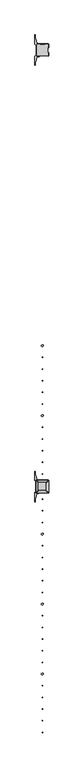
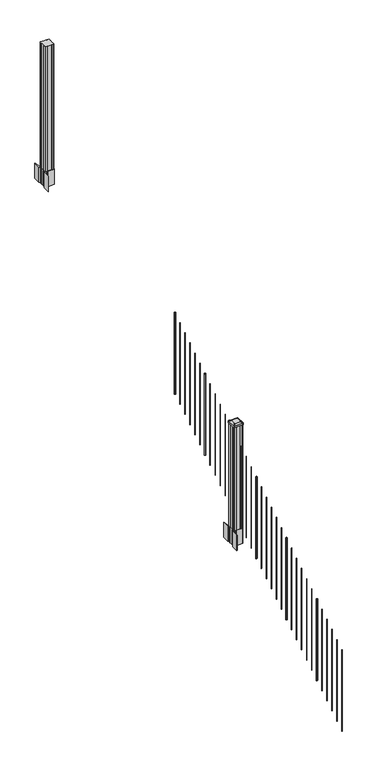
"""IFC4 building model written with IfcOpenShell, lengths in millimetres: railing geometry."""

from ifc_helpers import new_model, si_unit, point, frame, frame_2d, origin, place, context, project, spatial, polyline, circle_curve, trimmed, segment, composite_curve, outline, extrude, source, transform, mapped, element, save
from ifc_brep_helpers import plane_surface, extruded_surface, advanced_brep


def railing_44e528f0(model_context):
    return source(origin(), model_context, "Body", "SolidModel", [
        extrude(outline(composite_curve([segment(trimmed(circle_curve(frame_2d((6960.0376478, -84632.7128453)), 6.35), [point((6966.3876478, -84632.7128453))], [point((6960.0376478, -84639.0628453))], False, "CARTESIAN"), True, "CONTINUOUS"), segment(trimmed(circle_curve(frame_2d((6960.0376478, -84632.7128453)), 6.35), [point((6960.0376478, -84639.0628453))], [point((6953.6876478, -84632.7128453))], False, "CARTESIAN"), True, "CONTINUOUS"), segment(trimmed(circle_curve(frame_2d((6960.0376478, -84632.7128453)), 6.35), [point((6953.6876478, -84632.7128453))], [point((6960.0376478, -84626.3628453))], False, "CARTESIAN"), True, "CONTINUOUS"), segment(trimmed(circle_curve(frame_2d((6960.0376478, -84632.7128453)), 6.35), [point((6960.0376478, -84626.3628453))], [point((6966.3876478, -84632.7128453))], False, "CARTESIAN"), True, "CONTINUOUS")], self_intersect=False)), frame((0.0, 0.0, 2058.1896281), z_axis=(0.0, 0.0, 1.0), x_axis=(1.0, 0.0, 0.0)), (0.0, 0.0, 1.0), 812.8041219),
        extrude(outline(composite_curve([segment(trimmed(circle_curve(frame_2d((6960.0376478, -84715.2628453)), 1.5875), [point((6961.6251478, -84715.2628453))], [point((6960.0376478, -84716.8503453))], False, "CARTESIAN"), True, "CONTINUOUS"), segment(trimmed(circle_curve(frame_2d((6960.0376478, -84715.2628453)), 1.5875), [point((6960.0376478, -84716.8503453))], [point((6958.4501478, -84715.2628453))], False, "CARTESIAN"), True, "CONTINUOUS"), segment(trimmed(circle_curve(frame_2d((6960.0376478, -84715.2628453)), 1.5875), [point((6958.4501478, -84715.2628453))], [point((6960.0376478, -84713.6753453))], False, "CARTESIAN"), True, "CONTINUOUS"), segment(trimmed(circle_curve(frame_2d((6960.0376478, -84715.2628453)), 1.5875), [point((6960.0376478, -84713.6753453))], [point((6961.6251478, -84715.2628453))], False, "CARTESIAN"), True, "CONTINUOUS")], self_intersect=False)), frame((0.0, 0.0, 2006.5958781), z_axis=(0.0, 0.0, 1.0), x_axis=(1.0, 0.0, 0.0)), (0.0, 0.0, 1.0), 812.8041219),
        extrude(outline(composite_curve([segment(trimmed(circle_curve(frame_2d((6960.0376478, -84797.8128453)), 1.5875), [point((6961.6251478, -84797.8128453))], [point((6960.0376478, -84799.4003453))], False, "CARTESIAN"), True, "CONTINUOUS"), segment(trimmed(circle_curve(frame_2d((6960.0376478, -84797.8128453)), 1.5875), [point((6960.0376478, -84799.4003453))], [point((6958.4501478, -84797.8128453))], False, "CARTESIAN"), True, "CONTINUOUS"), segment(trimmed(circle_curve(frame_2d((6960.0376478, -84797.8128453)), 1.5875), [point((6958.4501478, -84797.8128453))], [point((6960.0376478, -84796.2253453))], False, "CARTESIAN"), True, "CONTINUOUS"), segment(trimmed(circle_curve(frame_2d((6960.0376478, -84797.8128453)), 1.5875), [point((6960.0376478, -84796.2253453))], [point((6961.6251478, -84797.8128453))], False, "CARTESIAN"), True, "CONTINUOUS")], self_intersect=False)), frame((0.0, 0.0, 1955.0021281), z_axis=(0.0, 0.0, 1.0), x_axis=(1.0, 0.0, 0.0)), (0.0, 0.0, 1.0), 812.8041219),
        extrude(outline(composite_curve([segment(trimmed(circle_curve(frame_2d((6960.0376478, -84880.3628453)), 1.5875), [point((6961.6251478, -84880.3628453))], [point((6960.0376478, -84881.9503453))], False, "CARTESIAN"), True, "CONTINUOUS"), segment(trimmed(circle_curve(frame_2d((6960.0376478, -84880.3628453)), 1.5875), [point((6960.0376478, -84881.9503453))], [point((6958.4501478, -84880.3628453))], False, "CARTESIAN"), True, "CONTINUOUS"), segment(trimmed(circle_curve(frame_2d((6960.0376478, -84880.3628453)), 1.5875), [point((6958.4501478, -84880.3628453))], [point((6960.0376478, -84878.7753453))], False, "CARTESIAN"), True, "CONTINUOUS"), segment(trimmed(circle_curve(frame_2d((6960.0376478, -84880.3628453)), 1.5875), [point((6960.0376478, -84878.7753453))], [point((6961.6251478, -84880.3628453))], False, "CARTESIAN"), True, "CONTINUOUS")], self_intersect=False)), frame((0.0, 0.0, 1903.4083781), z_axis=(0.0, 0.0, 1.0), x_axis=(1.0, 0.0, 0.0)), (0.0, 0.0, 1.0), 812.8041219),
        extrude(outline(composite_curve([segment(trimmed(circle_curve(frame_2d((6960.0376478, -84962.9128453)), 1.5875), [point((6961.6251478, -84962.9128453))], [point((6960.0376478, -84964.5003453))], False, "CARTESIAN"), True, "CONTINUOUS"), segment(trimmed(circle_curve(frame_2d((6960.0376478, -84962.9128453)), 1.5875), [point((6960.0376478, -84964.5003453))], [point((6958.4501478, -84962.9128453))], False, "CARTESIAN"), True, "CONTINUOUS"), segment(trimmed(circle_curve(frame_2d((6960.0376478, -84962.9128453)), 1.5875), [point((6958.4501478, -84962.9128453))], [point((6960.0376478, -84961.3253453))], False, "CARTESIAN"), True, "CONTINUOUS"), segment(trimmed(circle_curve(frame_2d((6960.0376478, -84962.9128453)), 1.5875), [point((6960.0376478, -84961.3253453))], [point((6961.6251478, -84962.9128453))], False, "CARTESIAN"), True, "CONTINUOUS")], self_intersect=False)), frame((0.0, 0.0, 1851.8146281), z_axis=(0.0, 0.0, 1.0), x_axis=(1.0, 0.0, 0.0)), (0.0, 0.0, 1.0), 812.8041219),
        extrude(outline(composite_curve([segment(trimmed(circle_curve(frame_2d((6960.0376478, -85045.4628453)), 1.5875), [point((6961.6251478, -85045.4628453))], [point((6960.0376478, -85047.0503453))], False, "CARTESIAN"), True, "CONTINUOUS"), segment(trimmed(circle_curve(frame_2d((6960.0376478, -85045.4628453)), 1.5875), [point((6960.0376478, -85047.0503453))], [point((6958.4501478, -85045.4628453))], False, "CARTESIAN"), True, "CONTINUOUS"), segment(trimmed(circle_curve(frame_2d((6960.0376478, -85045.4628453)), 1.5875), [point((6958.4501478, -85045.4628453))], [point((6960.0376478, -85043.8753453))], False, "CARTESIAN"), True, "CONTINUOUS"), segment(trimmed(circle_curve(frame_2d((6960.0376478, -85045.4628453)), 1.5875), [point((6960.0376478, -85043.8753453))], [point((6961.6251478, -85045.4628453))], False, "CARTESIAN"), True, "CONTINUOUS")], self_intersect=False)), frame((0.0, 0.0, 1800.2208781), z_axis=(0.0, 0.0, 1.0), x_axis=(1.0, 0.0, 0.0)), (0.0, 0.0, 1.0), 812.8041219),
        extrude(outline(composite_curve([segment(trimmed(circle_curve(frame_2d((6960.0376478, -85128.0128453)), 6.35), [point((6966.3876478, -85128.0128453))], [point((6960.0376478, -85134.3628453))], False, "CARTESIAN"), True, "CONTINUOUS"), segment(trimmed(circle_curve(frame_2d((6960.0376478, -85128.0128453)), 6.35), [point((6960.0376478, -85134.3628453))], [point((6953.6876478, -85128.0128453))], False, "CARTESIAN"), True, "CONTINUOUS"), segment(trimmed(circle_curve(frame_2d((6960.0376478, -85128.0128453)), 6.35), [point((6953.6876478, -85128.0128453))], [point((6960.0376478, -85121.6628453))], False, "CARTESIAN"), True, "CONTINUOUS"), segment(trimmed(circle_curve(frame_2d((6960.0376478, -85128.0128453)), 6.35), [point((6960.0376478, -85121.6628453))], [point((6966.3876478, -85128.0128453))], False, "CARTESIAN"), True, "CONTINUOUS")], self_intersect=False)), frame((0.0, 0.0, 1748.6271281), z_axis=(0.0, 0.0, 1.0), x_axis=(1.0, 0.0, 0.0)), (0.0, 0.0, 1.0), 812.8041219),
        extrude(outline(composite_curve([segment(trimmed(circle_curve(frame_2d((6960.0376478, -85210.5628453)), 1.5875), [point((6961.6251478, -85210.5628453))], [point((6960.0376478, -85212.1503453))], False, "CARTESIAN"), True, "CONTINUOUS"), segment(trimmed(circle_curve(frame_2d((6960.0376478, -85210.5628453)), 1.5875), [point((6960.0376478, -85212.1503453))], [point((6958.4501478, -85210.5628453))], False, "CARTESIAN"), True, "CONTINUOUS"), segment(trimmed(circle_curve(frame_2d((6960.0376478, -85210.5628453)), 1.5875), [point((6958.4501478, -85210.5628453))], [point((6960.0376478, -85208.9753453))], False, "CARTESIAN"), True, "CONTINUOUS"), segment(trimmed(circle_curve(frame_2d((6960.0376478, -85210.5628453)), 1.5875), [point((6960.0376478, -85208.9753453))], [point((6961.6251478, -85210.5628453))], False, "CARTESIAN"), True, "CONTINUOUS")], self_intersect=False)), frame((0.0, 0.0, 1697.0333781), z_axis=(0.0, 0.0, 1.0), x_axis=(1.0, 0.0, 0.0)), (0.0, 0.0, 1.0), 812.8041219),
        extrude(outline(composite_curve([segment(trimmed(circle_curve(frame_2d((6960.0376478, -85293.1128453)), 1.5875), [point((6961.6251478, -85293.1128453))], [point((6960.0376478, -85294.7003453))], False, "CARTESIAN"), True, "CONTINUOUS"), segment(trimmed(circle_curve(frame_2d((6960.0376478, -85293.1128453)), 1.5875), [point((6960.0376478, -85294.7003453))], [point((6958.4501478, -85293.1128453))], False, "CARTESIAN"), True, "CONTINUOUS"), segment(trimmed(circle_curve(frame_2d((6960.0376478, -85293.1128453)), 1.5875), [point((6958.4501478, -85293.1128453))], [point((6960.0376478, -85291.5253453))], False, "CARTESIAN"), True, "CONTINUOUS"), segment(trimmed(circle_curve(frame_2d((6960.0376478, -85293.1128453)), 1.5875), [point((6960.0376478, -85291.5253453))], [point((6961.6251478, -85293.1128453))], False, "CARTESIAN"), True, "CONTINUOUS")], self_intersect=False)), frame((0.0, 0.0, 1645.4396281), z_axis=(0.0, 0.0, 1.0), x_axis=(1.0, 0.0, 0.0)), (0.0, 0.0, 1.0), 812.8041219),
        extrude(outline(composite_curve([segment(trimmed(circle_curve(frame_2d((6960.0376478, -85375.6628453)), 1.5875), [point((6961.6251478, -85375.6628453))], [point((6960.0376478, -85377.2503453))], False, "CARTESIAN"), True, "CONTINUOUS"), segment(trimmed(circle_curve(frame_2d((6960.0376478, -85375.6628453)), 1.5875), [point((6960.0376478, -85377.2503453))], [point((6958.4501478, -85375.6628453))], False, "CARTESIAN"), True, "CONTINUOUS"), segment(trimmed(circle_curve(frame_2d((6960.0376478, -85375.6628453)), 1.5875), [point((6958.4501478, -85375.6628453))], [point((6960.0376478, -85374.0753453))], False, "CARTESIAN"), True, "CONTINUOUS"), segment(trimmed(circle_curve(frame_2d((6960.0376478, -85375.6628453)), 1.5875), [point((6960.0376478, -85374.0753453))], [point((6961.6251478, -85375.6628453))], False, "CARTESIAN"), True, "CONTINUOUS")], self_intersect=False)), frame((0.0, 0.0, 1593.8458781), z_axis=(0.0, 0.0, 1.0), x_axis=(1.0, 0.0, 0.0)), (0.0, 0.0, 1.0), 812.8041219),
        extrude(outline(composite_curve([segment(trimmed(circle_curve(frame_2d((6960.0376478, -85458.2128453)), 1.5875), [point((6961.6251478, -85458.2128453))], [point((6960.0376478, -85459.8003453))], False, "CARTESIAN"), True, "CONTINUOUS"), segment(trimmed(circle_curve(frame_2d((6960.0376478, -85458.2128453)), 1.5875), [point((6960.0376478, -85459.8003453))], [point((6958.4501478, -85458.2128453))], False, "CARTESIAN"), True, "CONTINUOUS"), segment(trimmed(circle_curve(frame_2d((6960.0376478, -85458.2128453)), 1.5875), [point((6958.4501478, -85458.2128453))], [point((6960.0376478, -85456.6253453))], False, "CARTESIAN"), True, "CONTINUOUS"), segment(trimmed(circle_curve(frame_2d((6960.0376478, -85458.2128453)), 1.5875), [point((6960.0376478, -85456.6253453))], [point((6961.6251478, -85458.2128453))], False, "CARTESIAN"), True, "CONTINUOUS")], self_intersect=False)), frame((0.0, 0.0, 1542.2521281), z_axis=(0.0, 0.0, 1.0), x_axis=(1.0, 0.0, 0.0)), (0.0, 0.0, 1.0), 812.8041219),
        extrude(outline(composite_curve([segment(trimmed(circle_curve(frame_2d((6960.0376478, -85540.7628453)), 1.5875), [point((6961.6251478, -85540.7628453))], [point((6960.0376478, -85542.3503453))], False, "CARTESIAN"), True, "CONTINUOUS"), segment(trimmed(circle_curve(frame_2d((6960.0376478, -85540.7628453)), 1.5875), [point((6960.0376478, -85542.3503453))], [point((6958.4501478, -85540.7628453))], False, "CARTESIAN"), True, "CONTINUOUS"), segment(trimmed(circle_curve(frame_2d((6960.0376478, -85540.7628453)), 1.5875), [point((6958.4501478, -85540.7628453))], [point((6960.0376478, -85539.1753453))], False, "CARTESIAN"), True, "CONTINUOUS"), segment(trimmed(circle_curve(frame_2d((6960.0376478, -85540.7628453)), 1.5875), [point((6960.0376478, -85539.1753453))], [point((6961.6251478, -85540.7628453))], False, "CARTESIAN"), True, "CONTINUOUS")], self_intersect=False)), frame((0.0, 0.0, 1490.6583781), z_axis=(0.0, 0.0, 1.0), x_axis=(1.0, 0.0, 0.0)), (0.0, 0.0, 1.0), 812.8041219),
        extrude(outline(composite_curve([segment(polyline([(7002.7731478, -85647.0489401), (7004.3606478, -85647.8109401), (7004.3606478, -85670.6128682), (7000.9876707, -85673.9858453), (6939.5279999, -85673.9858453), (6939.5279999, -85674.9065953), (6934.2104561, -85674.9065953), (6934.2104561, -85676.36085), (6929.1259264, -85676.36085), (6929.1259264, -85677.6448738), (6927.4586541, -85677.6448738)]), True, "CONTINUOUS"), segment(trimmed(circle_curve(frame_2d((6927.4586541, -85684.7043337)), 7.0594599), [point((6927.4586541, -85677.6448738))], [point((6920.6913912, -85682.694327))], True, "CARTESIAN"), True, "CONTINUOUS"), segment(polyline([(6920.6913912, -85682.694327), (6912.8171969, -85709.2050561)]), True, "CONTINUOUS"), segment(trimmed(circle_curve(frame_2d((6967.6017103, -85725.4771057)), 57.15), [point((6912.8171969, -85709.2050561))], [point((6910.4517103, -85725.4771057))], True, "CARTESIAN"), True, "CONTINUOUS"), segment(polyline([(6910.4517103, -85725.4771057), (6910.4517103, -85737.4858453), (6907.4517103, -85737.4858453), (6907.4517103, -85672.3983453), (6915.7146478, -85661.060054), (6915.7146478, -85647.8109401), (6917.3021478, -85647.0489401), (6917.3021478, -85612.2767504), (6915.7146478, -85611.5147504), (6915.7146478, -85598.2656366), (6907.4517103, -85586.9273453), (6907.4517103, -85521.8398453), (6910.4517103, -85521.8398453), (6910.4517103, -85533.8485848)]), True, "CONTINUOUS"), segment(trimmed(circle_curve(frame_2d((6967.6017103, -85533.8485848)), 57.15), [point((6910.4517103, -85533.8485848))], [point((6912.8171969, -85550.1206345))], True, "CARTESIAN"), True, "CONTINUOUS"), segment(polyline([(6912.8171969, -85550.1206345), (6920.6913912, -85576.6313636)]), True, "CONTINUOUS"), segment(trimmed(circle_curve(frame_2d((6927.4586541, -85574.6213569)), 7.0594599), [point((6920.6913912, -85576.6313636))], [point((6927.4586541, -85581.6808168))], True, "CARTESIAN"), True, "CONTINUOUS"), segment(polyline([(6927.4586541, -85581.6808168), (6929.1259264, -85581.6808168), (6929.1259264, -85582.9648406), (6934.2104561, -85582.9648406), (6934.2104561, -85584.4190953), (6939.5279999, -85584.4190953), (6939.5279999, -85585.3398453), (7000.9876707, -85585.3398453), (7004.3606478, -85588.7128224), (7004.3606478, -85611.5147504), (7002.7731478, -85612.2767504), (7002.7731478, -85647.0489401)]), True, "CONTINUOUS")], self_intersect=False), holes=[polyline([(6918.7626478, -85589.9753453), (6918.7626478, -85669.3503453), (6920.3501478, -85670.9378453), (6957.2744304, -85670.9378453), (6999.7251478, -85670.9378453), (7001.3126478, -85669.3503453), (7001.3126478, -85589.9753453), (6999.7251478, -85588.3878453), (6957.2744304, -85588.3878453), (6920.3501478, -85588.3878453), (6918.7626478, -85589.9753453)])]), frame((0.0, 0.0, 1181.1), z_axis=(0.0, 0.0, 1.0), x_axis=(1.0, 0.0, 0.0)), (0.0, 0.0, 1.0), 152.4),
        advanced_brep(
        [(6934.2407728, -85658.6347203, 2393.439263), (6985.8345228, -85658.6347203, 2393.439263), (6989.0095228, -85655.4597203, 2393.439263), (6989.0095228, -85603.8659703, 2393.439263), (6985.8345228, -85600.6909703, 2393.439263), (6934.2407728, -85600.6909703, 2393.439263), (6931.0657728, -85603.8659703, 2393.439263), (6931.0657728, -85655.4597203, 2393.439263), (6917.9688978, -85674.9065953, 2382.136263), (6914.7938978, -85671.7315953, 2382.136263), (6914.7938978, -85587.5940953, 2382.136263), (6917.9688978, -85584.4190953, 2382.136263), (7002.1063978, -85584.4190953, 2382.136263), (7005.2813978, -85587.5940953, 2382.136263), (7005.2813978, -85671.7315953, 2382.136263), (7002.1063978, -85674.9065953, 2382.136263)],
        [
            (0, 1),
            (1, 2, circle_curve(frame((6985.8345228, -85655.4597203, 2393.439263), z_axis=(0.0, 0.0, 1.0), x_axis=(0.0, 1.0, 0.0)), 3.175)),
            (2, 3),
            (3, 4, circle_curve(frame((6985.8345228, -85603.8659703, 2393.439263), z_axis=(0.0, 0.0, 1.0), x_axis=(0.0, 1.0, 0.0)), 3.175)),
            (4, 5),
            (5, 6, circle_curve(frame((6934.2407728, -85603.8659703, 2393.439263), z_axis=(0.0, 0.0, 1.0), x_axis=(0.0, 1.0, 0.0)), 3.175)),
            (6, 7),
            (7, 0, circle_curve(frame((6934.2407728, -85655.4597203, 2393.439263), z_axis=(0.0, 0.0, 1.0), x_axis=(0.0, 1.0, 0.0)), 3.175)),
            (8, 9, circle_curve(frame((6917.9688978, -85671.7315953, 2382.136263), z_axis=(0.0, 0.0, -1.0), x_axis=(0.0, 1.0, 0.0)), 3.175)),
            (9, 10),
            (10, 11, circle_curve(frame((6917.9688978, -85587.5940953, 2382.136263), z_axis=(0.0, 0.0, -1.0), x_axis=(0.0, 1.0, 0.0)), 3.175)),
            (11, 12),
            (12, 13, circle_curve(frame((7002.1063978, -85587.5940953, 2382.136263), z_axis=(0.0, 0.0, -1.0), x_axis=(0.0, 1.0, 0.0)), 3.175)),
            (13, 14),
            (14, 15, circle_curve(frame((7002.1063978, -85671.7315953, 2382.136263), z_axis=(0.0, 0.0, -1.0), x_axis=(0.0, 1.0, 0.0)), 3.175)),
            (15, 8),
            (8, 0),
            (7, 9),
            (6, 10),
            (5, 11),
            (4, 12),
            (3, 13),
            (2, 14),
            (1, 15),
        ],
        [
            plane_surface(frame((6960.0376478, -85629.6628453, 2393.439263), z_axis=(0.0, 0.0, 1.0), x_axis=(-1.0, 0.0, 0.0))),
            plane_surface(frame((6960.0376478, -85629.6628453, 2382.136263), z_axis=(0.0, 0.0, -1.0), x_axis=(-1.0, 0.0, 0.0))),
            extruded_surface(trimmed(circle_curve(frame((6934.2407728, -85655.4597203, 2393.439263), z_axis=(0.0, 0.0, -1.0), x_axis=(0.0, 1.0, 0.0)), 3.175), [point((6934.2407728, -85658.6347203, 2393.439263))], [point((6931.0657728, -85655.4597203, 2393.439263))], True, "CARTESIAN"), (-16.271874999999454, -16.27187500000582, -11.303000000000338), 25.63797263886966),
            plane_surface(frame((6914.7938978, -85629.6628453, 2382.136263), z_axis=(-0.5705009161540778, 0.0, 0.8212969649690408), x_axis=(0.0, 1.0, 0.0))),
            extruded_surface(trimmed(circle_curve(frame((6934.2407728, -85603.8659703, 2393.439263), z_axis=(0.0, 0.0, -1.0), x_axis=(0.0, 1.0, 0.0)), 3.175), [point((6931.0657728, -85603.8659703, 2393.439263))], [point((6934.2407728, -85600.6909703, 2393.439263))], True, "CARTESIAN"), (-16.271874999999454, 16.27187500000582, -11.303000000000338), 25.63797263886966),
            plane_surface(frame((6960.0376478, -85584.4190953, 2382.136263), z_axis=(0.0, 0.5705009161540291, 0.8212969649690747), x_axis=(1.0, 0.0, 0.0))),
            extruded_surface(trimmed(circle_curve(frame((6985.8345228, -85603.8659703, 2393.439263), z_axis=(0.0, 0.0, -1.0), x_axis=(0.0, 1.0, 0.0)), 3.175), [point((6985.8345228, -85600.6909703, 2393.439263))], [point((6989.0095228, -85603.8659703, 2393.439263))], True, "CARTESIAN"), (16.271875000000364, 16.27187500000582, -11.303000000000338), 25.637972638870238),
            plane_surface(frame((7005.2813978, -85629.6628453, 2382.136263), z_axis=(0.5705009161540142, 0.0, 0.8212969649690851), x_axis=(0.0, -1.0, 0.0))),
            extruded_surface(trimmed(circle_curve(frame((6985.8345228, -85655.4597203, 2393.439263), z_axis=(0.0, 0.0, -1.0), x_axis=(0.0, 1.0, 0.0)), 3.175), [point((6989.0095228, -85655.4597203, 2393.439263))], [point((6985.8345228, -85658.6347203, 2393.439263))], True, "CARTESIAN"), (16.271875000000364, -16.27187500000582, -11.303000000000338), 25.637972638870238),
            plane_surface(frame((6960.0376478, -85674.9065953, 2382.136263), z_axis=(0.0, -0.570500916154034, 0.8212969649690713), x_axis=(-1.0, 0.0, 0.0))),
        ],
        [
            (0, [[1, 2, 3, 4, 5, 6, 7, 8]]),
            (1, [[9, 10, 11, 12, 13, 14, 15, 16]]),
            (2, [[17, -8, 18, -9]]),
            (3, [[-18, -7, 19, -10]]),
            (4, [[-19, -6, 20, -11]]),
            (5, [[-20, -5, 21, -12]]),
            (6, [[-21, -4, 22, -13]]),
            (7, [[-22, -3, 23, -14]]),
            (8, [[-23, -2, 24, -15]]),
            (9, [[-24, -1, -17, -16]]),
        ],
    ),
        extrude(outline(composite_curve([segment(trimmed(circle_curve(frame_2d((6917.9688978, -85671.7315953)), 3.175), [point((6917.9688978, -85674.9065953))], [point((6914.7938978, -85671.7315953))], False, "CARTESIAN"), True, "CONTINUOUS"), segment(polyline([(6914.7938978, -85671.7315953), (6914.7938978, -85587.5940953)]), True, "CONTINUOUS"), segment(trimmed(circle_curve(frame_2d((6917.9688978, -85587.5940953)), 3.175), [point((6914.7938978, -85587.5940953))], [point((6917.9688978, -85584.4190953))], False, "CARTESIAN"), True, "CONTINUOUS"), segment(polyline([(6917.9688978, -85584.4190953), (7002.1063978, -85584.4190953)]), True, "CONTINUOUS"), segment(trimmed(circle_curve(frame_2d((7002.1063978, -85587.5940953)), 3.175), [point((7002.1063978, -85584.4190953))], [point((7005.2813978, -85587.5940953))], False, "CARTESIAN"), True, "CONTINUOUS"), segment(polyline([(7005.2813978, -85587.5940953), (7005.2813978, -85671.7315953)]), True, "CONTINUOUS"), segment(trimmed(circle_curve(frame_2d((7002.1063978, -85671.7315953)), 3.175), [point((7005.2813978, -85671.7315953))], [point((7002.1063978, -85674.9065953))], False, "CARTESIAN"), True, "CONTINUOUS"), segment(polyline([(7002.1063978, -85674.9065953), (6917.9688978, -85674.9065953)]), True, "CONTINUOUS")], self_intersect=False)), frame((0.0, 0.0, 2364.864263), z_axis=(0.0, 0.0, 1.0), x_axis=(1.0, 0.0, 0.0)), (0.0, 0.0, 1.0), 17.272),
        extrude(outline(polyline([(6920.3501478, -85670.9378453), (6918.7626478, -85669.3503453), (6918.7626478, -85649.7288453), (6920.3501478, -85648.9668453), (6920.3501478, -85610.3588453), (6918.7626478, -85609.5968453), (6918.7626478, -85589.9753453), (6920.3501478, -85588.3878453), (6939.9716478, -85588.3878453), (6940.7336478, -85589.9753453), (6979.3416478, -85589.9753453), (6980.1036478, -85588.3878453), (6999.7251478, -85588.3878453), (7001.3126478, -85589.9753453), (7001.3126478, -85609.5968453), (6999.7251478, -85610.3588453), (6999.7251478, -85648.9668453), (7001.3126478, -85649.7288453), (7001.3126478, -85669.3503453), (6999.7251478, -85670.9378453), (6980.1036478, -85670.9378453), (6979.3416478, -85669.3503453), (6940.7336478, -85669.3503453), (6939.9716478, -85670.9378453), (6920.3501478, -85670.9378453)])), frame((0.0, 0.0, 1333.5), z_axis=(0.0, 0.0, 1.0), x_axis=(1.0, 0.0, 0.0)), (0.0, 0.0, 1.0), 1031.364263),
        extrude(outline(composite_curve([segment(trimmed(circle_curve(frame_2d((6960.0376478, -85718.5628453)), 1.5875), [point((6961.6251478, -85718.5628453))], [point((6960.0376478, -85720.1503453))], False, "CARTESIAN"), True, "CONTINUOUS"), segment(trimmed(circle_curve(frame_2d((6960.0376478, -85718.5628453)), 1.5875), [point((6960.0376478, -85720.1503453))], [point((6958.4501478, -85718.5628453))], False, "CARTESIAN"), True, "CONTINUOUS"), segment(trimmed(circle_curve(frame_2d((6960.0376478, -85718.5628453)), 1.5875), [point((6958.4501478, -85718.5628453))], [point((6960.0376478, -85716.9753453))], False, "CARTESIAN"), True, "CONTINUOUS"), segment(trimmed(circle_curve(frame_2d((6960.0376478, -85718.5628453)), 1.5875), [point((6960.0376478, -85716.9753453))], [point((6961.6251478, -85718.5628453))], False, "CARTESIAN"), True, "CONTINUOUS")], self_intersect=False)), frame((0.0, 0.0, 1379.5333781), z_axis=(0.0, 0.0, 1.0), x_axis=(1.0, 0.0, 0.0)), (0.0, 0.0, 1.0), 812.8041219),
        extrude(outline(composite_curve([segment(trimmed(circle_curve(frame_2d((6960.0376478, -85801.1128453)), 1.5875), [point((6961.6251478, -85801.1128453))], [point((6960.0376478, -85802.7003453))], False, "CARTESIAN"), True, "CONTINUOUS"), segment(trimmed(circle_curve(frame_2d((6960.0376478, -85801.1128453)), 1.5875), [point((6960.0376478, -85802.7003453))], [point((6958.4501478, -85801.1128453))], False, "CARTESIAN"), True, "CONTINUOUS"), segment(trimmed(circle_curve(frame_2d((6960.0376478, -85801.1128453)), 1.5875), [point((6958.4501478, -85801.1128453))], [point((6960.0376478, -85799.5253453))], False, "CARTESIAN"), True, "CONTINUOUS"), segment(trimmed(circle_curve(frame_2d((6960.0376478, -85801.1128453)), 1.5875), [point((6960.0376478, -85799.5253453))], [point((6961.6251478, -85801.1128453))], False, "CARTESIAN"), True, "CONTINUOUS")], self_intersect=False)), frame((0.0, 0.0, 1327.9396281), z_axis=(0.0, 0.0, 1.0), x_axis=(1.0, 0.0, 0.0)), (0.0, 0.0, 1.0), 812.8041219),
        extrude(outline(composite_curve([segment(trimmed(circle_curve(frame_2d((6960.0376478, -85883.6628453)), 1.5875), [point((6961.6251478, -85883.6628453))], [point((6960.0376478, -85885.2503453))], False, "CARTESIAN"), True, "CONTINUOUS"), segment(trimmed(circle_curve(frame_2d((6960.0376478, -85883.6628453)), 1.5875), [point((6960.0376478, -85885.2503453))], [point((6958.4501478, -85883.6628453))], False, "CARTESIAN"), True, "CONTINUOUS"), segment(trimmed(circle_curve(frame_2d((6960.0376478, -85883.6628453)), 1.5875), [point((6958.4501478, -85883.6628453))], [point((6960.0376478, -85882.0753453))], False, "CARTESIAN"), True, "CONTINUOUS"), segment(trimmed(circle_curve(frame_2d((6960.0376478, -85883.6628453)), 1.5875), [point((6960.0376478, -85882.0753453))], [point((6961.6251478, -85883.6628453))], False, "CARTESIAN"), True, "CONTINUOUS")], self_intersect=False)), frame((0.0, 0.0, 1276.3458781), z_axis=(0.0, 0.0, 1.0), x_axis=(1.0, 0.0, 0.0)), (0.0, 0.0, 1.0), 812.8041219),
        extrude(outline(composite_curve([segment(trimmed(circle_curve(frame_2d((6960.0376478, -85966.2128453)), 6.35), [point((6966.3876478, -85966.2128453))], [point((6960.0376478, -85972.5628453))], False, "CARTESIAN"), True, "CONTINUOUS"), segment(trimmed(circle_curve(frame_2d((6960.0376478, -85966.2128453)), 6.35), [point((6960.0376478, -85972.5628453))], [point((6953.6876478, -85966.2128453))], False, "CARTESIAN"), True, "CONTINUOUS"), segment(trimmed(circle_curve(frame_2d((6960.0376478, -85966.2128453)), 6.35), [point((6953.6876478, -85966.2128453))], [point((6960.0376478, -85959.8628453))], False, "CARTESIAN"), True, "CONTINUOUS"), segment(trimmed(circle_curve(frame_2d((6960.0376478, -85966.2128453)), 6.35), [point((6960.0376478, -85959.8628453))], [point((6966.3876478, -85966.2128453))], False, "CARTESIAN"), True, "CONTINUOUS")], self_intersect=False)), frame((0.0, 0.0, 1224.7521281), z_axis=(0.0, 0.0, 1.0), x_axis=(1.0, 0.0, 0.0)), (0.0, 0.0, 1.0), 812.8041219),
        extrude(outline(composite_curve([segment(trimmed(circle_curve(frame_2d((6960.0376478, -86048.7628453)), 1.5875), [point((6961.6251478, -86048.7628453))], [point((6960.0376478, -86050.3503453))], False, "CARTESIAN"), True, "CONTINUOUS"), segment(trimmed(circle_curve(frame_2d((6960.0376478, -86048.7628453)), 1.5875), [point((6960.0376478, -86050.3503453))], [point((6958.4501478, -86048.7628453))], False, "CARTESIAN"), True, "CONTINUOUS"), segment(trimmed(circle_curve(frame_2d((6960.0376478, -86048.7628453)), 1.5875), [point((6958.4501478, -86048.7628453))], [point((6960.0376478, -86047.1753453))], False, "CARTESIAN"), True, "CONTINUOUS"), segment(trimmed(circle_curve(frame_2d((6960.0376478, -86048.7628453)), 1.5875), [point((6960.0376478, -86047.1753453))], [point((6961.6251478, -86048.7628453))], False, "CARTESIAN"), True, "CONTINUOUS")], self_intersect=False)), frame((0.0, 0.0, 1173.1583781), z_axis=(0.0, 0.0, 1.0), x_axis=(1.0, 0.0, 0.0)), (0.0, 0.0, 1.0), 812.8041219),
        extrude(outline(composite_curve([segment(trimmed(circle_curve(frame_2d((6960.0376478, -86131.3128453)), 1.5875), [point((6961.6251478, -86131.3128453))], [point((6960.0376478, -86132.9003453))], False, "CARTESIAN"), True, "CONTINUOUS"), segment(trimmed(circle_curve(frame_2d((6960.0376478, -86131.3128453)), 1.5875), [point((6960.0376478, -86132.9003453))], [point((6958.4501478, -86131.3128453))], False, "CARTESIAN"), True, "CONTINUOUS"), segment(trimmed(circle_curve(frame_2d((6960.0376478, -86131.3128453)), 1.5875), [point((6958.4501478, -86131.3128453))], [point((6960.0376478, -86129.7253453))], False, "CARTESIAN"), True, "CONTINUOUS"), segment(trimmed(circle_curve(frame_2d((6960.0376478, -86131.3128453)), 1.5875), [point((6960.0376478, -86129.7253453))], [point((6961.6251478, -86131.3128453))], False, "CARTESIAN"), True, "CONTINUOUS")], self_intersect=False)), frame((0.0, 0.0, 1121.5646281), z_axis=(0.0, 0.0, 1.0), x_axis=(1.0, 0.0, 0.0)), (0.0, 0.0, 1.0), 812.8041219),
        extrude(outline(composite_curve([segment(trimmed(circle_curve(frame_2d((6960.0376478, -86213.8628453)), 1.5875), [point((6961.6251478, -86213.8628453))], [point((6960.0376478, -86215.4503453))], False, "CARTESIAN"), True, "CONTINUOUS"), segment(trimmed(circle_curve(frame_2d((6960.0376478, -86213.8628453)), 1.5875), [point((6960.0376478, -86215.4503453))], [point((6958.4501478, -86213.8628453))], False, "CARTESIAN"), True, "CONTINUOUS"), segment(trimmed(circle_curve(frame_2d((6960.0376478, -86213.8628453)), 1.5875), [point((6958.4501478, -86213.8628453))], [point((6960.0376478, -86212.2753453))], False, "CARTESIAN"), True, "CONTINUOUS"), segment(trimmed(circle_curve(frame_2d((6960.0376478, -86213.8628453)), 1.5875), [point((6960.0376478, -86212.2753453))], [point((6961.6251478, -86213.8628453))], False, "CARTESIAN"), True, "CONTINUOUS")], self_intersect=False)), frame((0.0, 0.0, 1069.9708781), z_axis=(0.0, 0.0, 1.0), x_axis=(1.0, 0.0, 0.0)), (0.0, 0.0, 1.0), 812.8041219),
        extrude(outline(composite_curve([segment(trimmed(circle_curve(frame_2d((6960.0376478, -86296.4128453)), 1.5875), [point((6961.6251478, -86296.4128453))], [point((6960.0376478, -86298.0003453))], False, "CARTESIAN"), True, "CONTINUOUS"), segment(trimmed(circle_curve(frame_2d((6960.0376478, -86296.4128453)), 1.5875), [point((6960.0376478, -86298.0003453))], [point((6958.4501478, -86296.4128453))], False, "CARTESIAN"), True, "CONTINUOUS"), segment(trimmed(circle_curve(frame_2d((6960.0376478, -86296.4128453)), 1.5875), [point((6958.4501478, -86296.4128453))], [point((6960.0376478, -86294.8253453))], False, "CARTESIAN"), True, "CONTINUOUS"), segment(trimmed(circle_curve(frame_2d((6960.0376478, -86296.4128453)), 1.5875), [point((6960.0376478, -86294.8253453))], [point((6961.6251478, -86296.4128453))], False, "CARTESIAN"), True, "CONTINUOUS")], self_intersect=False)), frame((0.0, 0.0, 1018.3771281), z_axis=(0.0, 0.0, 1.0), x_axis=(1.0, 0.0, 0.0)), (0.0, 0.0, 1.0), 812.8041219),
        extrude(outline(composite_curve([segment(trimmed(circle_curve(frame_2d((6960.0376478, -86378.9628453)), 1.5875), [point((6961.6251478, -86378.9628453))], [point((6960.0376478, -86380.5503453))], False, "CARTESIAN"), True, "CONTINUOUS"), segment(trimmed(circle_curve(frame_2d((6960.0376478, -86378.9628453)), 1.5875), [point((6960.0376478, -86380.5503453))], [point((6958.4501478, -86378.9628453))], False, "CARTESIAN"), True, "CONTINUOUS"), segment(trimmed(circle_curve(frame_2d((6960.0376478, -86378.9628453)), 1.5875), [point((6958.4501478, -86378.9628453))], [point((6960.0376478, -86377.3753453))], False, "CARTESIAN"), True, "CONTINUOUS"), segment(trimmed(circle_curve(frame_2d((6960.0376478, -86378.9628453)), 1.5875), [point((6960.0376478, -86377.3753453))], [point((6961.6251478, -86378.9628453))], False, "CARTESIAN"), True, "CONTINUOUS")], self_intersect=False)), frame((0.0, 0.0, 966.7833781), z_axis=(0.0, 0.0, 1.0), x_axis=(1.0, 0.0, 0.0)), (0.0, 0.0, 1.0), 812.8041219),
        extrude(outline(composite_curve([segment(trimmed(circle_curve(frame_2d((6960.0376478, -86461.5128453)), 6.35), [point((6966.3876478, -86461.5128453))], [point((6960.0376478, -86467.8628453))], False, "CARTESIAN"), True, "CONTINUOUS"), segment(trimmed(circle_curve(frame_2d((6960.0376478, -86461.5128453)), 6.35), [point((6960.0376478, -86467.8628453))], [point((6953.6876478, -86461.5128453))], False, "CARTESIAN"), True, "CONTINUOUS"), segment(trimmed(circle_curve(frame_2d((6960.0376478, -86461.5128453)), 6.35), [point((6953.6876478, -86461.5128453))], [point((6960.0376478, -86455.1628453))], False, "CARTESIAN"), True, "CONTINUOUS"), segment(trimmed(circle_curve(frame_2d((6960.0376478, -86461.5128453)), 6.35), [point((6960.0376478, -86455.1628453))], [point((6966.3876478, -86461.5128453))], False, "CARTESIAN"), True, "CONTINUOUS")], self_intersect=False)), frame((0.0, 0.0, 915.1896281), z_axis=(0.0, 0.0, 1.0), x_axis=(1.0, 0.0, 0.0)), (0.0, 0.0, 1.0), 812.8041219),
        extrude(outline(composite_curve([segment(trimmed(circle_curve(frame_2d((6960.0376478, -86544.0628453)), 1.5875), [point((6961.6251478, -86544.0628453))], [point((6960.0376478, -86545.6503453))], False, "CARTESIAN"), True, "CONTINUOUS"), segment(trimmed(circle_curve(frame_2d((6960.0376478, -86544.0628453)), 1.5875), [point((6960.0376478, -86545.6503453))], [point((6958.4501478, -86544.0628453))], False, "CARTESIAN"), True, "CONTINUOUS"), segment(trimmed(circle_curve(frame_2d((6960.0376478, -86544.0628453)), 1.5875), [point((6958.4501478, -86544.0628453))], [point((6960.0376478, -86542.4753453))], False, "CARTESIAN"), True, "CONTINUOUS"), segment(trimmed(circle_curve(frame_2d((6960.0376478, -86544.0628453)), 1.5875), [point((6960.0376478, -86542.4753453))], [point((6961.6251478, -86544.0628453))], False, "CARTESIAN"), True, "CONTINUOUS")], self_intersect=False)), frame((0.0, 0.0, 863.5958781), z_axis=(0.0, 0.0, 1.0), x_axis=(1.0, 0.0, 0.0)), (0.0, 0.0, 1.0), 812.8041219),
        extrude(outline(composite_curve([segment(trimmed(circle_curve(frame_2d((6960.0376478, -86626.6128453)), 1.5875), [point((6961.6251478, -86626.6128453))], [point((6960.0376478, -86628.2003453))], False, "CARTESIAN"), True, "CONTINUOUS"), segment(trimmed(circle_curve(frame_2d((6960.0376478, -86626.6128453)), 1.5875), [point((6960.0376478, -86628.2003453))], [point((6958.4501478, -86626.6128453))], False, "CARTESIAN"), True, "CONTINUOUS"), segment(trimmed(circle_curve(frame_2d((6960.0376478, -86626.6128453)), 1.5875), [point((6958.4501478, -86626.6128453))], [point((6960.0376478, -86625.0253453))], False, "CARTESIAN"), True, "CONTINUOUS"), segment(trimmed(circle_curve(frame_2d((6960.0376478, -86626.6128453)), 1.5875), [point((6960.0376478, -86625.0253453))], [point((6961.6251478, -86626.6128453))], False, "CARTESIAN"), True, "CONTINUOUS")], self_intersect=False)), frame((0.0, 0.0, 812.0021281), z_axis=(0.0, 0.0, 1.0), x_axis=(1.0, 0.0, 0.0)), (0.0, 0.0, 1.0), 812.8041219),
        extrude(outline(composite_curve([segment(trimmed(circle_curve(frame_2d((6960.0376478, -86709.1628453)), 1.5875), [point((6961.6251478, -86709.1628453))], [point((6960.0376478, -86710.7503453))], False, "CARTESIAN"), True, "CONTINUOUS"), segment(trimmed(circle_curve(frame_2d((6960.0376478, -86709.1628453)), 1.5875), [point((6960.0376478, -86710.7503453))], [point((6958.4501478, -86709.1628453))], False, "CARTESIAN"), True, "CONTINUOUS"), segment(trimmed(circle_curve(frame_2d((6960.0376478, -86709.1628453)), 1.5875), [point((6958.4501478, -86709.1628453))], [point((6960.0376478, -86707.5753453))], False, "CARTESIAN"), True, "CONTINUOUS"), segment(trimmed(circle_curve(frame_2d((6960.0376478, -86709.1628453)), 1.5875), [point((6960.0376478, -86707.5753453))], [point((6961.6251478, -86709.1628453))], False, "CARTESIAN"), True, "CONTINUOUS")], self_intersect=False)), frame((0.0, 0.0, 760.4083781), z_axis=(0.0, 0.0, 1.0), x_axis=(1.0, 0.0, 0.0)), (0.0, 0.0, 1.0), 812.8041219),
        extrude(outline(composite_curve([segment(trimmed(circle_curve(frame_2d((6960.0376478, -86791.7128453)), 1.5875), [point((6961.6251478, -86791.7128453))], [point((6960.0376478, -86793.3003453))], False, "CARTESIAN"), True, "CONTINUOUS"), segment(trimmed(circle_curve(frame_2d((6960.0376478, -86791.7128453)), 1.5875), [point((6960.0376478, -86793.3003453))], [point((6958.4501478, -86791.7128453))], False, "CARTESIAN"), True, "CONTINUOUS"), segment(trimmed(circle_curve(frame_2d((6960.0376478, -86791.7128453)), 1.5875), [point((6958.4501478, -86791.7128453))], [point((6960.0376478, -86790.1253453))], False, "CARTESIAN"), True, "CONTINUOUS"), segment(trimmed(circle_curve(frame_2d((6960.0376478, -86791.7128453)), 1.5875), [point((6960.0376478, -86790.1253453))], [point((6961.6251478, -86791.7128453))], False, "CARTESIAN"), True, "CONTINUOUS")], self_intersect=False)), frame((0.0, 0.0, 708.8146281), z_axis=(0.0, 0.0, 1.0), x_axis=(1.0, 0.0, 0.0)), (0.0, 0.0, 1.0), 812.8041219),
        extrude(outline(composite_curve([segment(trimmed(circle_curve(frame_2d((6960.0376478, -86874.2628453)), 1.5875), [point((6961.6251478, -86874.2628453))], [point((6960.0376478, -86875.8503453))], False, "CARTESIAN"), True, "CONTINUOUS"), segment(trimmed(circle_curve(frame_2d((6960.0376478, -86874.2628453)), 1.5875), [point((6960.0376478, -86875.8503453))], [point((6958.4501478, -86874.2628453))], False, "CARTESIAN"), True, "CONTINUOUS"), segment(trimmed(circle_curve(frame_2d((6960.0376478, -86874.2628453)), 1.5875), [point((6958.4501478, -86874.2628453))], [point((6960.0376478, -86872.6753453))], False, "CARTESIAN"), True, "CONTINUOUS"), segment(trimmed(circle_curve(frame_2d((6960.0376478, -86874.2628453)), 1.5875), [point((6960.0376478, -86872.6753453))], [point((6961.6251478, -86874.2628453))], False, "CARTESIAN"), True, "CONTINUOUS")], self_intersect=False)), frame((0.0, 0.0, 657.2208781), z_axis=(0.0, 0.0, 1.0), x_axis=(1.0, 0.0, 0.0)), (0.0, 0.0, 1.0), 812.8041219),
        extrude(outline(composite_curve([segment(trimmed(circle_curve(frame_2d((6960.0376478, -86956.8128453)), 6.35), [point((6966.3876478, -86956.8128453))], [point((6960.0376478, -86963.1628453))], False, "CARTESIAN"), True, "CONTINUOUS"), segment(trimmed(circle_curve(frame_2d((6960.0376478, -86956.8128453)), 6.35), [point((6960.0376478, -86963.1628453))], [point((6953.6876478, -86956.8128453))], False, "CARTESIAN"), True, "CONTINUOUS"), segment(trimmed(circle_curve(frame_2d((6960.0376478, -86956.8128453)), 6.35), [point((6953.6876478, -86956.8128453))], [point((6960.0376478, -86950.4628453))], False, "CARTESIAN"), True, "CONTINUOUS"), segment(trimmed(circle_curve(frame_2d((6960.0376478, -86956.8128453)), 6.35), [point((6960.0376478, -86950.4628453))], [point((6966.3876478, -86956.8128453))], False, "CARTESIAN"), True, "CONTINUOUS")], self_intersect=False)), frame((0.0, 0.0, 605.6271281), z_axis=(0.0, 0.0, 1.0), x_axis=(1.0, 0.0, 0.0)), (0.0, 0.0, 1.0), 812.8041219),
        extrude(outline(composite_curve([segment(trimmed(circle_curve(frame_2d((6960.0376478, -87039.3628453)), 1.5875), [point((6961.6251478, -87039.3628453))], [point((6960.0376478, -87040.9503453))], False, "CARTESIAN"), True, "CONTINUOUS"), segment(trimmed(circle_curve(frame_2d((6960.0376478, -87039.3628453)), 1.5875), [point((6960.0376478, -87040.9503453))], [point((6958.4501478, -87039.3628453))], False, "CARTESIAN"), True, "CONTINUOUS"), segment(trimmed(circle_curve(frame_2d((6960.0376478, -87039.3628453)), 1.5875), [point((6958.4501478, -87039.3628453))], [point((6960.0376478, -87037.7753453))], False, "CARTESIAN"), True, "CONTINUOUS"), segment(trimmed(circle_curve(frame_2d((6960.0376478, -87039.3628453)), 1.5875), [point((6960.0376478, -87037.7753453))], [point((6961.6251478, -87039.3628453))], False, "CARTESIAN"), True, "CONTINUOUS")], self_intersect=False)), frame((0.0, 0.0, 554.0333781), z_axis=(0.0, 0.0, 1.0), x_axis=(1.0, 0.0, 0.0)), (0.0, 0.0, 1.0), 812.8041219),
        extrude(outline(composite_curve([segment(trimmed(circle_curve(frame_2d((6960.0376478, -87121.9128453)), 1.5875), [point((6961.6251478, -87121.9128453))], [point((6960.0376478, -87123.5003453))], False, "CARTESIAN"), True, "CONTINUOUS"), segment(trimmed(circle_curve(frame_2d((6960.0376478, -87121.9128453)), 1.5875), [point((6960.0376478, -87123.5003453))], [point((6958.4501478, -87121.9128453))], False, "CARTESIAN"), True, "CONTINUOUS"), segment(trimmed(circle_curve(frame_2d((6960.0376478, -87121.9128453)), 1.5875), [point((6958.4501478, -87121.9128453))], [point((6960.0376478, -87120.3253453))], False, "CARTESIAN"), True, "CONTINUOUS"), segment(trimmed(circle_curve(frame_2d((6960.0376478, -87121.9128453)), 1.5875), [point((6960.0376478, -87120.3253453))], [point((6961.6251478, -87121.9128453))], False, "CARTESIAN"), True, "CONTINUOUS")], self_intersect=False)), frame((0.0, 0.0, 502.4396281), z_axis=(0.0, 0.0, 1.0), x_axis=(1.0, 0.0, 0.0)), (0.0, 0.0, 1.0), 812.8041219),
        extrude(outline(composite_curve([segment(trimmed(circle_curve(frame_2d((6960.0376478, -87204.4628453)), 1.5875), [point((6961.6251478, -87204.4628453))], [point((6960.0376478, -87206.0503453))], False, "CARTESIAN"), True, "CONTINUOUS"), segment(trimmed(circle_curve(frame_2d((6960.0376478, -87204.4628453)), 1.5875), [point((6960.0376478, -87206.0503453))], [point((6958.4501478, -87204.4628453))], False, "CARTESIAN"), True, "CONTINUOUS"), segment(trimmed(circle_curve(frame_2d((6960.0376478, -87204.4628453)), 1.5875), [point((6958.4501478, -87204.4628453))], [point((6960.0376478, -87202.8753453))], False, "CARTESIAN"), True, "CONTINUOUS"), segment(trimmed(circle_curve(frame_2d((6960.0376478, -87204.4628453)), 1.5875), [point((6960.0376478, -87202.8753453))], [point((6961.6251478, -87204.4628453))], False, "CARTESIAN"), True, "CONTINUOUS")], self_intersect=False)), frame((0.0, 0.0, 450.8458781), z_axis=(0.0, 0.0, 1.0), x_axis=(1.0, 0.0, 0.0)), (0.0, 0.0, 1.0), 812.8041219),
        extrude(outline(composite_curve([segment(trimmed(circle_curve(frame_2d((6960.0376478, -87287.0128453)), 1.5875), [point((6961.6251478, -87287.0128453))], [point((6960.0376478, -87288.6003453))], False, "CARTESIAN"), True, "CONTINUOUS"), segment(trimmed(circle_curve(frame_2d((6960.0376478, -87287.0128453)), 1.5875), [point((6960.0376478, -87288.6003453))], [point((6958.4501478, -87287.0128453))], False, "CARTESIAN"), True, "CONTINUOUS"), segment(trimmed(circle_curve(frame_2d((6960.0376478, -87287.0128453)), 1.5875), [point((6958.4501478, -87287.0128453))], [point((6960.0376478, -87285.4253453))], False, "CARTESIAN"), True, "CONTINUOUS"), segment(trimmed(circle_curve(frame_2d((6960.0376478, -87287.0128453)), 1.5875), [point((6960.0376478, -87285.4253453))], [point((6961.6251478, -87287.0128453))], False, "CARTESIAN"), True, "CONTINUOUS")], self_intersect=False)), frame((0.0, 0.0, 399.2521281), z_axis=(0.0, 0.0, 1.0), x_axis=(1.0, 0.0, 0.0)), (0.0, 0.0, 1.0), 812.8041219),
        extrude(outline(composite_curve([segment(trimmed(circle_curve(frame_2d((6960.0376478, -87369.5628453)), 1.5875), [point((6961.6251478, -87369.5628453))], [point((6960.0376478, -87371.1503453))], False, "CARTESIAN"), True, "CONTINUOUS"), segment(trimmed(circle_curve(frame_2d((6960.0376478, -87369.5628453)), 1.5875), [point((6960.0376478, -87371.1503453))], [point((6958.4501478, -87369.5628453))], False, "CARTESIAN"), True, "CONTINUOUS"), segment(trimmed(circle_curve(frame_2d((6960.0376478, -87369.5628453)), 1.5875), [point((6958.4501478, -87369.5628453))], [point((6960.0376478, -87367.9753453))], False, "CARTESIAN"), True, "CONTINUOUS"), segment(trimmed(circle_curve(frame_2d((6960.0376478, -87369.5628453)), 1.5875), [point((6960.0376478, -87367.9753453))], [point((6961.6251478, -87369.5628453))], False, "CARTESIAN"), True, "CONTINUOUS")], self_intersect=False)), frame((0.0, 0.0, 347.6583781), z_axis=(0.0, 0.0, 1.0), x_axis=(1.0, 0.0, 0.0)), (0.0, 0.0, 1.0), 812.8041219),
        extrude(outline(polyline([(6920.3501478, -82581.5358453), (6918.7626478, -82579.9483453), (6918.7626478, -82560.3268453), (6920.3501478, -82559.5648453), (6920.3501478, -82520.9568453), (6918.7626478, -82520.1948453), (6918.7626478, -82500.5733453), (6920.3501478, -82498.9858453), (6939.9716478, -82498.9858453), (6940.7336478, -82500.5733453), (6979.3416478, -82500.5733453), (6980.1036478, -82498.9858453), (6999.7251478, -82498.9858453), (7001.3126478, -82500.5733453), (7001.3126478, -82520.1948453), (6999.7251478, -82520.9568453), (6999.7251478, -82559.5648453), (7001.3126478, -82560.3268453), (7001.3126478, -82579.9483453), (6999.7251478, -82581.5358453), (6980.1036478, -82581.5358453), (6979.3416478, -82579.9483453), (6940.7336478, -82579.9483453), (6939.9716478, -82581.5358453), (6920.3501478, -82581.5358453)])), frame((0.0, 0.0, 3048.0), z_axis=(0.0, 0.0, 1.0), x_axis=(1.0, 0.0, 0.0)), (0.0, 0.0, 1.0), 1247.740513),
        extrude(outline(composite_curve([segment(polyline([(7002.7731478, -82557.6469401), (7004.3606478, -82558.4089401), (7004.3606478, -82581.2108682), (7000.9876707, -82584.5838453), (6939.5279999, -82584.5838453), (6939.5279999, -82585.5045953), (6934.2104561, -82585.5045953), (6934.2104561, -82586.95885), (6929.1259264, -82586.95885), (6929.1259264, -82588.2428738), (6927.4586541, -82588.2428738)]), True, "CONTINUOUS"), segment(trimmed(circle_curve(frame_2d((6927.4586541, -82595.3023337)), 7.0594599), [point((6927.4586541, -82588.2428738))], [point((6920.6913912, -82593.292327))], True, "CARTESIAN"), True, "CONTINUOUS"), segment(polyline([(6920.6913912, -82593.292327), (6912.8171969, -82619.8030561)]), True, "CONTINUOUS"), segment(trimmed(circle_curve(frame_2d((6967.6017103, -82636.0751057)), 57.15), [point((6912.8171969, -82619.8030561))], [point((6910.4517103, -82636.0751057))], True, "CARTESIAN"), True, "CONTINUOUS"), segment(polyline([(6910.4517103, -82636.0751057), (6910.4517103, -82648.0838453), (6907.4517103, -82648.0838453), (6907.4517103, -82582.9963453), (6915.7146478, -82571.658054), (6915.7146478, -82558.4089401), (6917.3021478, -82557.6469401), (6917.3021478, -82522.8747504), (6915.7146478, -82522.1127504), (6915.7146478, -82508.8636366), (6907.4517103, -82497.5253453), (6907.4517103, -82432.4378453), (6910.4517103, -82432.4378453), (6910.4517103, -82444.4465848)]), True, "CONTINUOUS"), segment(trimmed(circle_curve(frame_2d((6967.6017103, -82444.4465848)), 57.15), [point((6910.4517103, -82444.4465848))], [point((6912.8171969, -82460.7186345))], True, "CARTESIAN"), True, "CONTINUOUS"), segment(polyline([(6912.8171969, -82460.7186345), (6920.6913912, -82487.2293636)]), True, "CONTINUOUS"), segment(trimmed(circle_curve(frame_2d((6927.4586541, -82485.2193569)), 7.0594599), [point((6920.6913912, -82487.2293636))], [point((6927.4586541, -82492.2788168))], True, "CARTESIAN"), True, "CONTINUOUS"), segment(polyline([(6927.4586541, -82492.2788168), (6929.1259264, -82492.2788168), (6929.1259264, -82493.5628406), (6934.2104561, -82493.5628406), (6934.2104561, -82495.0170953), (6939.5279999, -82495.0170953), (6939.5279999, -82495.9378453), (7000.9876707, -82495.9378453), (7004.3606478, -82499.3108224), (7004.3606478, -82522.1127504), (7002.7731478, -82522.8747504), (7002.7731478, -82557.6469401)]), True, "CONTINUOUS")], self_intersect=False), holes=[polyline([(6918.7626478, -82500.5733453), (6918.7626478, -82579.9483453), (6920.3501478, -82581.5358453), (6957.2744304, -82581.5358453), (6999.7251478, -82581.5358453), (7001.3126478, -82579.9483453), (7001.3126478, -82500.5733453), (6999.7251478, -82498.9858453), (6957.2744304, -82498.9858453), (6920.3501478, -82498.9858453), (6918.7626478, -82500.5733453)])]), frame((0.0, 0.0, 2895.6), z_axis=(0.0, 0.0, 1.0), x_axis=(1.0, 0.0, 0.0)), (0.0, 0.0, 1.0), 152.4),
    ])


if __name__ == "__main__":
    model = new_model("IFC4")
    model_context = context("Model", 3, world=origin())
    ifc_project = project(units=[si_unit("LENGTHUNIT", "METRE", prefix="MILLI")], contexts=[model_context])
    site = spatial("IfcSite", under=ifc_project)
    building = spatial("IfcBuilding", under=site)
    placement = place(None, origin())
    railing_shape = railing_44e528f0(model_context)
    element("IfcRailing", 1, at=placement, inside=building, context=model_context, shape_type="MappedRepresentation", body=[
        mapped(railing_shape, transform((0.0, 0.0, 0.0), x_axis=(1.0, 0.0, 0.0), y_axis=(0.0, 1.0, 0.0), z_axis=(0.0, 0.0, 1.0))),
    ])
    save(model, "model.ifc")
